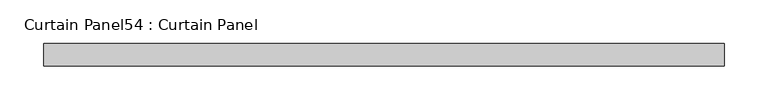
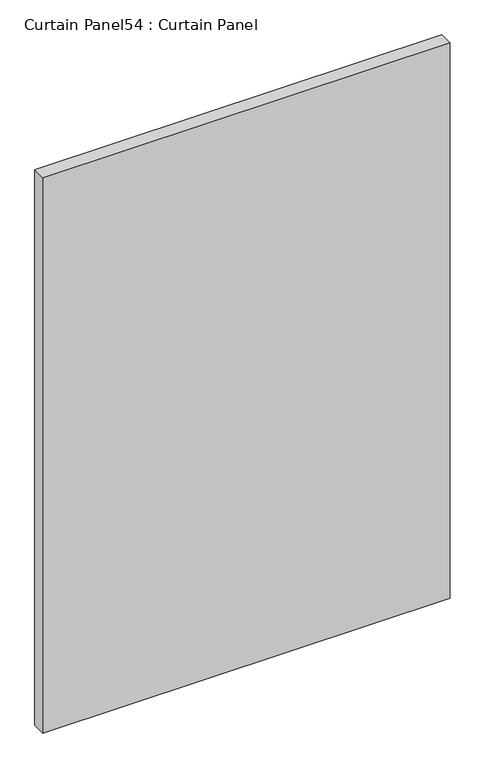
"""IFC4 building model written with IfcOpenShell, lengths in millimetres: plate geometry, Curtain Panel54 : Curtain Panel."""

from ifc_helpers import new_model, si_unit, frame, origin, place, context, project, spatial, polyline, outline, extrude, source, transform, mapped, element, save


def curtain_panel54_curtain_panel_aebf223d(model_context):
    return source(origin(), model_context, "Body", "SweptSolid", [
        extrude(outline(polyline([(-40135.7162995, -3859.9631042), (-40911.1798754, -3859.9631042), (-40911.1798754, -3834.5631042), (-40135.7162995, -3834.5631042), (-40135.7162995, -3859.9631042)])), frame((0.0, 0.0, 1254.1189897), z_axis=(0.0, 0.0, 1.0), x_axis=(1.0, 0.0, 0.0)), (0.0, 0.0, 1.0), 1117.6218853),
    ])


if __name__ == "__main__":
    model = new_model("IFC4")
    model_context = context("Model", 3, world=origin())
    ifc_project = project(units=[si_unit("LENGTHUNIT", "METRE", prefix="MILLI")], contexts=[model_context])
    site = spatial("IfcSite", under=ifc_project)
    building = spatial("IfcBuilding", under=site)
    placement = place(None, origin())
    curtain_panel54_curtain_panel_shape = curtain_panel54_curtain_panel_aebf223d(model_context)
    element("IfcPlate", 1, ObjectType="Curtain Panel54 : Curtain Panel", at=placement, inside=building, context=model_context, shape_type="MappedRepresentation", body=[
        mapped(curtain_panel54_curtain_panel_shape, transform((0.0, 0.0, 0.0), x_axis=(1.0, 0.0, 0.0), y_axis=(0.0, 1.0, 0.0), z_axis=(0.0, 0.0, 1.0))),
    ])
    save(model, "model.ifc")
